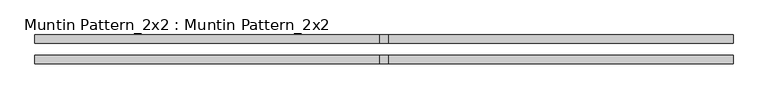
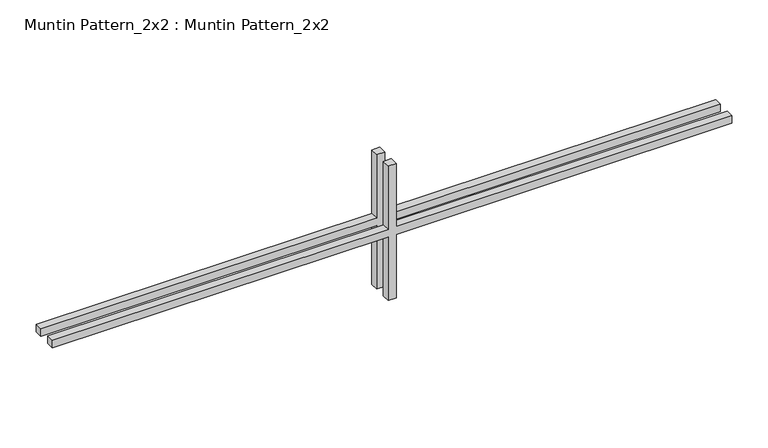
"""IFC4 building model written with IfcOpenShell, lengths in millimetres: proxy geometry, Muntin Pattern_2x2 : Muntin Pattern_2x2."""

from ifc_helpers import new_model, si_unit, frame, origin, place, context, project, spatial, polyline, outline, extrude, source, transform, mapped, element, save


def muntin_pattern_2x2_muntin_pattern_2x2_1013a2fa(model_context):
    return source(origin(), model_context, "Body", "SweptSolid", [
        extrude(outline(polyline([(119.3601563, -6.35), (119.3601563, -539.75), (106.6601563, -539.75), (106.6601563, -6.35), (0.0, -6.35), (0.0, 6.35), (106.6601563, 6.35), (106.6601563, 539.75), (119.3601563, 539.75), (119.3601563, 6.35), (226.0203125, 6.35), (226.0203125, -6.35), (119.3601563, -6.35)])), frame((0.0, 9.525, 0.0), z_axis=(0.0, 1.0, 0.0), x_axis=(0.0, 0.0, 1.0)), (0.0, 0.0, 1.0), 12.7),
        extrude(outline(polyline([(119.3601563, -6.35), (119.3601563, -539.75), (106.6601563, -539.75), (106.6601563, -6.35), (0.0, -6.35), (0.0, 6.35), (106.6601563, 6.35), (106.6601563, 539.75), (119.3601563, 539.75), (119.3601563, 6.35), (226.0203125, 6.35), (226.0203125, -6.35), (119.3601563, -6.35)])), frame((0.0, -22.225, 0.0), z_axis=(0.0, 1.0, 0.0), x_axis=(0.0, 0.0, 1.0)), (0.0, 0.0, 1.0), 12.7),
    ])


if __name__ == "__main__":
    model = new_model("IFC4")
    model_context = context("Model", 3, world=origin())
    ifc_project = project(units=[si_unit("LENGTHUNIT", "METRE", prefix="MILLI")], contexts=[model_context])
    site = spatial("IfcSite", under=ifc_project)
    building = spatial("IfcBuilding", under=site)
    placement = place(None, origin())
    muntin_pattern_2x2_muntin_pattern_2x2_shape = muntin_pattern_2x2_muntin_pattern_2x2_1013a2fa(model_context)
    element("IfcBuildingElementProxy", 1, Name="Muntin Pattern_2x2 : Muntin Pattern_2x2", ObjectType="Muntin Pattern_2x2 : Muntin Pattern_2x2", at=placement, inside=building, context=model_context, shape_type="MappedRepresentation", body=[
        mapped(muntin_pattern_2x2_muntin_pattern_2x2_shape, transform((0.0, 0.0, 0.0), x_axis=(1.0, 0.0, 0.0), y_axis=(0.0, 1.0, 0.0), z_axis=(0.0, 0.0, 1.0))),
    ])
    save(model, "model.ifc")
